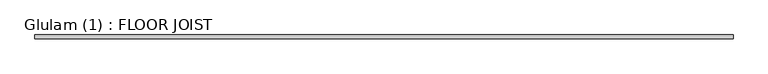
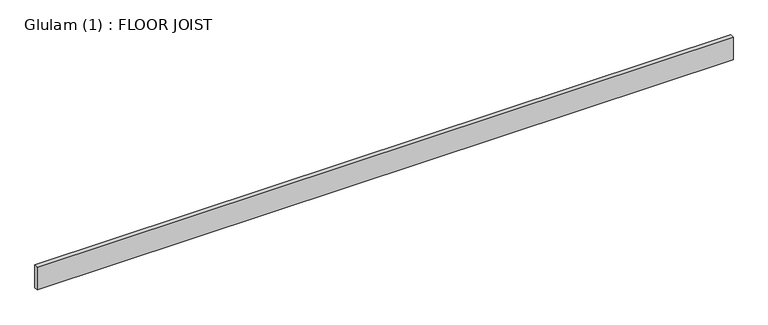
"""IFC4 building model written with IfcOpenShell, lengths in millimetres: beam geometry, Glulam (1) : FLOOR JOIST."""

from ifc_helpers import new_model, si_unit, frame, origin, place, context, project, spatial, polyline, outline, extrude, source, transform, mapped, element, save


def glulam_1_floor_joist_31a887b1(model_context):
    return source(origin(), model_context, "Body", "SweptSolid", [
        extrude(outline(polyline([(4192.0, 22.5), (4192.0, -22.5), (-4190.0, -22.5), (-4190.0, 22.5), (4192.0, 22.5)])), frame((0.0, 0.0, -145.0), z_axis=(0.0, 0.0, 1.0), x_axis=(1.0, 0.0, 0.0)), (0.0, 0.0, 1.0), 290.0),
    ])


if __name__ == "__main__":
    model = new_model("IFC4")
    model_context = context("Model", 3, world=origin())
    ifc_project = project(units=[si_unit("LENGTHUNIT", "METRE", prefix="MILLI")], contexts=[model_context])
    site = spatial("IfcSite", under=ifc_project)
    building = spatial("IfcBuilding", under=site)
    placement = place(None, origin())
    glulam_1_floor_joist_shape = glulam_1_floor_joist_31a887b1(model_context)
    element("IfcBeam", 1, ObjectType="Glulam (1) : FLOOR JOIST", at=placement, inside=building, context=model_context, shape_type="MappedRepresentation", body=[
        mapped(glulam_1_floor_joist_shape, transform((0.0, 0.0, 0.0), x_axis=(1.0, 0.0, 0.0), y_axis=(0.0, 1.0, 0.0), z_axis=(0.0, 0.0, 1.0))),
    ])
    save(model, "model.ifc")
